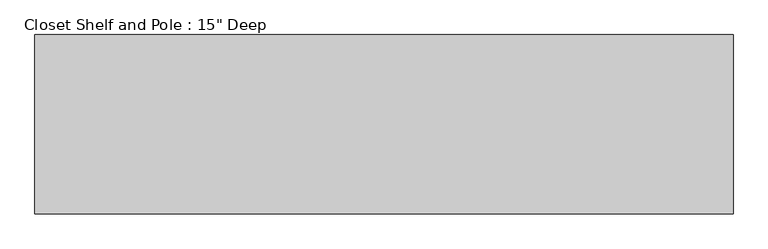
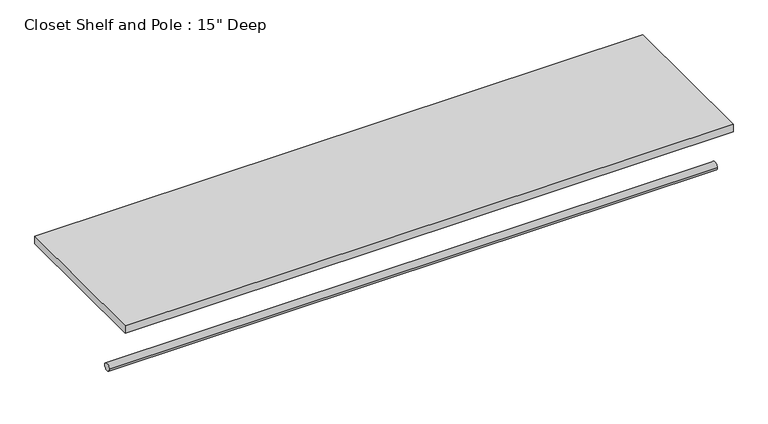
"""IFC4 building model written with IfcOpenShell, lengths in millimetres: proxy geometry."""

from ifc_helpers import new_model, si_unit, point, frame, frame_2d, origin, place, context, project, spatial, polyline, circle_curve, trimmed, segment, composite_curve, outline, extrude, source, transform, mapped, element, save


def proxy_68470f32(model_context):
    return source(origin(), model_context, "Body", "SweptSolid", [
        extrude(outline(composite_curve([segment(trimmed(circle_curve(frame_2d((-304.8, 1676.4)), 9.525), [point((-314.325, 1676.4))], [point((-295.275, 1676.4))], False, "CARTESIAN"), True, "CONTINUOUS"), segment(trimmed(circle_curve(frame_2d((-304.8, 1676.4)), 9.525), [point((-295.275, 1676.4))], [point((-314.325, 1676.4))], False, "CARTESIAN"), True, "CONTINUOUS")], self_intersect=False)), frame((0.0, 0.0, 0.0), z_axis=(1.0, 0.0, 0.0), x_axis=(0.0, 1.0, 0.0)), (0.0, 0.0, 1.0), 1483.3363848),
        extrude(outline(polyline([(1483.3363848, 0.0), (1483.3363848, -381.0), (0.0, -381.0), (0.0, 0.0), (1483.3363848, 0.0)])), frame((0.0, 0.0, 1809.75), z_axis=(0.0, 0.0, 1.0), x_axis=(1.0, 0.0, 0.0)), (0.0, 0.0, 1.0), 19.05),
    ])


if __name__ == "__main__":
    model = new_model("IFC4")
    model_context = context("Model", 3, world=origin())
    ifc_project = project(units=[si_unit("LENGTHUNIT", "METRE", prefix="MILLI")], contexts=[model_context])
    site = spatial("IfcSite", under=ifc_project)
    building = spatial("IfcBuilding", under=site)
    placement = place(None, origin())
    proxy_shape = proxy_68470f32(model_context)
    element("IfcBuildingElementProxy", 1, Name="Closet Shelf and Pole : 15\" Deep", ObjectType="Closet Shelf and Pole : 15\" Deep", at=placement, inside=building, context=model_context, shape_type="MappedRepresentation", body=[
        mapped(proxy_shape, transform((0.0, 0.0, 0.0), x_axis=(1.0, 0.0, 0.0), y_axis=(0.0, 1.0, 0.0), z_axis=(0.0, 0.0, 1.0))),
    ])
    save(model, "model.ifc")
